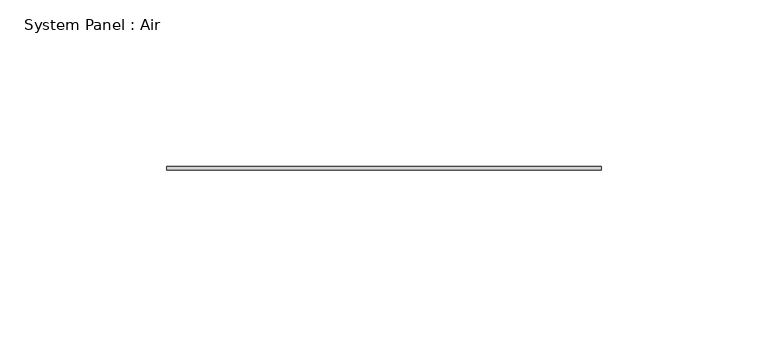
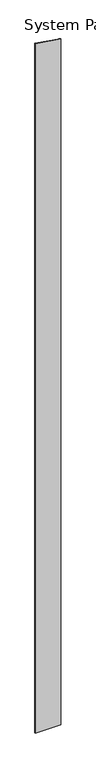
"""IFC4 building model written with IfcOpenShell, lengths in millimetres: plate geometry, System Panel : Air."""

from ifc_helpers import new_model, si_unit, frame, origin, place, context, project, spatial, polyline, outline, extrude, source, transform, mapped, element, save


def system_panel_air_af2df773(model_context):
    return source(origin(), model_context, "Body", "SweptSolid", [
        extrude(outline(polyline([(0.0, -65.0), (0.0, 65.0), (3659.9612465, 65.0), (3679.2163021, -65.0), (0.0, -65.0)])), frame((0.0, 36.5, 0.0), z_axis=(0.0, 1.0, 0.0), x_axis=(0.0, 0.0, 1.0)), (0.0, 0.0, 1.0), 1.0),
    ])


if __name__ == "__main__":
    model = new_model("IFC4")
    model_context = context("Model", 3, world=origin())
    ifc_project = project(units=[si_unit("LENGTHUNIT", "METRE", prefix="MILLI")], contexts=[model_context])
    site = spatial("IfcSite", under=ifc_project)
    building = spatial("IfcBuilding", under=site)
    placement = place(None, origin())
    system_panel_air_shape = system_panel_air_af2df773(model_context)
    element("IfcPlate", 1, ObjectType="System Panel : Air", at=placement, inside=building, context=model_context, shape_type="MappedRepresentation", body=[
        mapped(system_panel_air_shape, transform((0.0, 0.0, 0.0), x_axis=(1.0, 0.0, 0.0), y_axis=(0.0, 1.0, 0.0), z_axis=(0.0, 0.0, 1.0))),
    ])
    save(model, "model.ifc")
